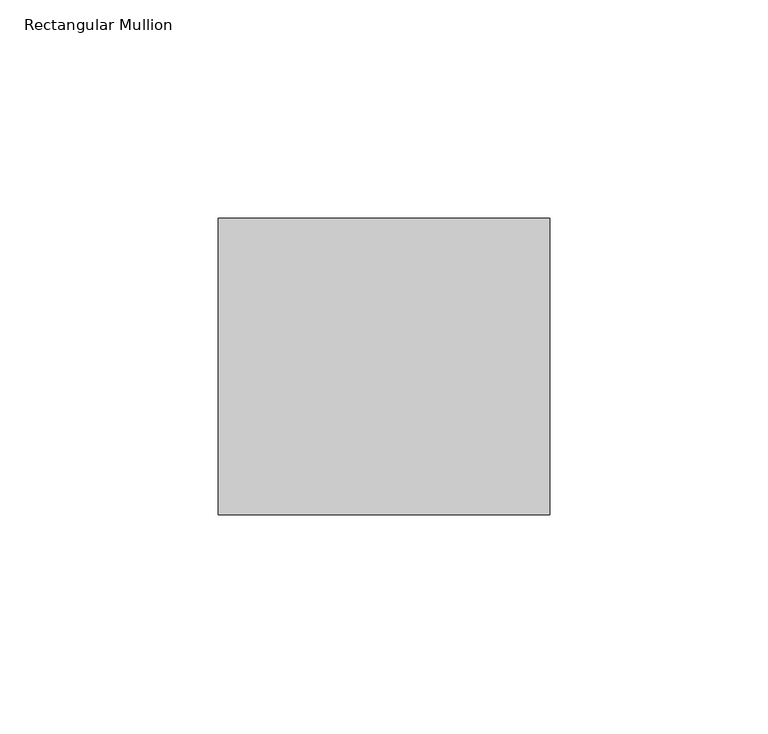
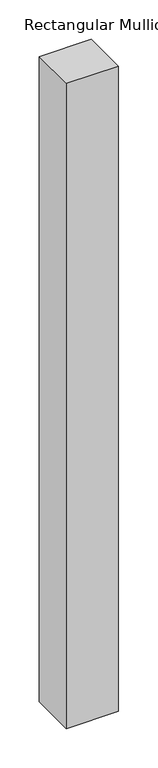
"""IFC4 building model written with IfcOpenShell, lengths in millimetres: member geometry, Rectangular Mullion."""

from ifc_helpers import new_model, si_unit, frame, origin, place, context, project, spatial, polyline, outline, extrude, source, transform, mapped, element, save


def rectangular_mullion_95a2309a(model_context):
    return source(origin(), model_context, "Body", "SweptSolid", [
        extrude(outline(polyline([(0.0, 68.0), (0.0, 0.0), (-76.0, 0.0), (-76.0, 68.0), (0.0, 68.0)])), frame((0.0, 0.0, -999.0), z_axis=(0.0, 0.0, 1.0), x_axis=(1.0, 0.0, 0.0)), (0.0, 0.0, 1.0), 999.0),
    ])


if __name__ == "__main__":
    model = new_model("IFC4")
    model_context = context("Model", 3, world=origin())
    ifc_project = project(units=[si_unit("LENGTHUNIT", "METRE", prefix="MILLI")], contexts=[model_context])
    site = spatial("IfcSite", under=ifc_project)
    building = spatial("IfcBuilding", under=site)
    placement = place(None, origin())
    rectangular_mullion_shape = rectangular_mullion_95a2309a(model_context)
    element("IfcMember", 1, ObjectType="Rectangular Mullion", at=placement, inside=building, context=model_context, shape_type="MappedRepresentation", body=[
        mapped(rectangular_mullion_shape, transform((0.0, 0.0, 0.0), x_axis=(1.0, 0.0, 0.0), y_axis=(0.0, 1.0, 0.0), z_axis=(0.0, 0.0, 1.0))),
    ])
    save(model, "model.ifc")
